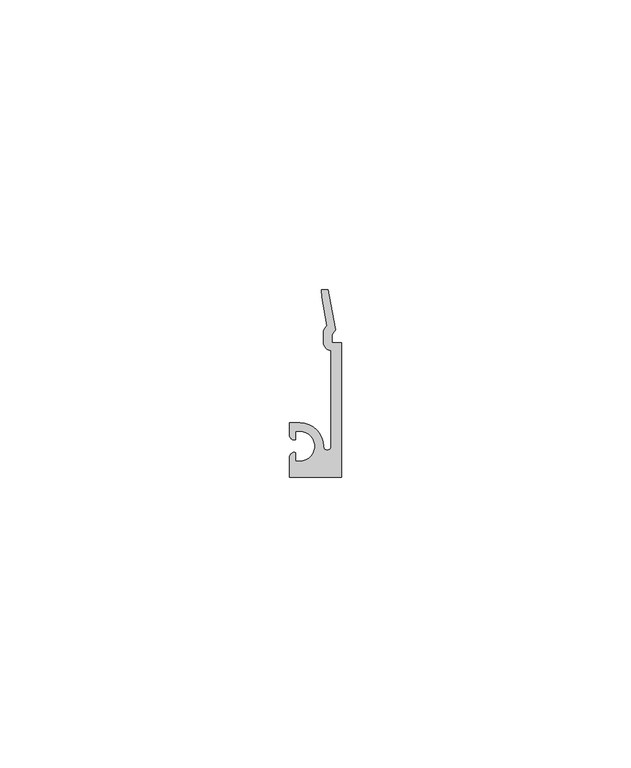
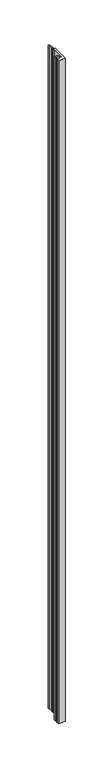
"""IFC4 building model written with IfcOpenShell, lengths in millimetres: proxy geometry."""

from ifc_helpers import new_model, si_unit, point, frame, frame_2d, origin, place, context, project, spatial, polyline, circle_curve, trimmed, segment, composite_curve, outline, extrude, source, transform, mapped, element, save


def generic_models_ea125255(model_context):
    return source(origin(), model_context, "Body", "SweptSolid", [
        extrude(outline(composite_curve([segment(polyline([(37256.0210168, -22010.3342261), (37257.6085005, -22010.4612261), (37257.6085005, -22033.6260261), (37248.6931005, -22033.6260261), (37248.6931005, -22030.1462261)]), True, "CONTINUOUS"), segment(trimmed(circle_curve(frame_2d((37249.5059005, -22030.1462261)), 0.8128), [point((37248.6931005, -22030.1462261))], [point((37249.7091005, -22029.3592359))], False, "CARTESIAN"), True, "CONTINUOUS"), segment(polyline([(37249.7091005, -22029.3592359), (37249.7091005, -22030.8320261), (37250.4965005, -22030.8320261)]), True, "CONTINUOUS"), segment(trimmed(circle_curve(frame_2d((37250.4965005, -22028.2666261)), 2.5654), [point((37250.4965005, -22030.8320261))], [point((37250.4965005, -22025.7012261))], True, "CARTESIAN"), True, "CONTINUOUS"), segment(polyline([(37250.4965005, -22025.7012261), (37249.7091005, -22025.7012261), (37249.7091005, -22027.1740164)]), True, "CONTINUOUS"), segment(trimmed(circle_curve(frame_2d((37249.5059005, -22026.3870261)), 0.8128), [point((37249.7091005, -22027.1740164))], [point((37248.6931005, -22026.3870261))], False, "CARTESIAN"), True, "CONTINUOUS"), segment(polyline([(37248.6931005, -22026.3870261), (37248.6931005, -22024.2280261), (37250.4965005, -22024.2280261)]), True, "CONTINUOUS"), segment(trimmed(circle_curve(frame_2d((37250.4965005, -22028.2666261)), 4.0386), [point((37250.4965005, -22024.2280261))], [point((37254.5351005, -22028.2666261))], False, "CARTESIAN"), True, "CONTINUOUS"), segment(trimmed(circle_curve(frame_2d((37255.2082005, -22028.2666261)), 0.6731), [point((37254.5351005, -22028.2666261))], [point((37255.8813005, -22028.2666261))], True, "CARTESIAN"), True, "CONTINUOUS"), segment(polyline([(37255.8813005, -22028.2666261), (37255.8813005, -22011.8007859)]), True, "CONTINUOUS"), segment(trimmed(circle_curve(frame_2d((37256.0210168, -22010.3342261)), 1.4732), [point((37255.8813005, -22011.8007859))], [point((37254.5478168, -22010.3342261))], False, "CARTESIAN"), True, "CONTINUOUS"), segment(polyline([(37254.5478168, -22010.3342261), (37254.5478168, -22008.7086261)]), True, "CONTINUOUS"), segment(trimmed(circle_curve(frame_2d((37256.0210168, -22008.7086261)), 1.4732), [point((37254.5478168, -22008.7086261))], [point((37255.187463, -22007.4939219))], False, "CARTESIAN"), True, "CONTINUOUS"), segment(polyline([(37255.187463, -22007.4939219), (37254.2989604, -22002.5618261), (37254.1668168, -22001.2918261), (37255.3606168, -22001.2918261), (37256.6052168, -22008.2006261), (37256.0210168, -22009.0642393), (37256.0210168, -22010.3342261)]), True, "CONTINUOUS")], self_intersect=False)), frame((0.0, 0.0, 1524.0), z_axis=(0.0, 0.0, 1.0), x_axis=(1.0, 0.0, 0.0)), (0.0, 0.0, 1.0), 914.4),
    ])


if __name__ == "__main__":
    model = new_model("IFC4")
    model_context = context("Model", 3, world=origin())
    ifc_project = project(units=[si_unit("LENGTHUNIT", "METRE", prefix="MILLI")], contexts=[model_context])
    site = spatial("IfcSite", under=ifc_project)
    building = spatial("IfcBuilding", under=site)
    placement = place(None, origin())
    generic_models_shape = generic_models_ea125255(model_context)
    element("IfcBuildingElementProxy", 1, Name="Generic Models", at=placement, inside=building, context=model_context, shape_type="MappedRepresentation", body=[
        mapped(generic_models_shape, transform((0.0, 0.0, 0.0), x_axis=(1.0, 0.0, 0.0), y_axis=(0.0, 1.0, 0.0), z_axis=(0.0, 0.0, 1.0))),
    ])
    save(model, "model.ifc")
